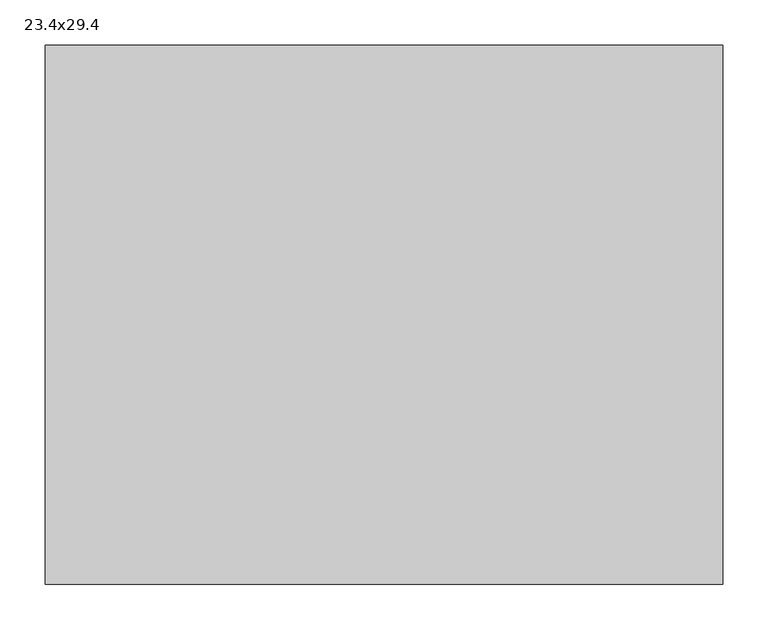
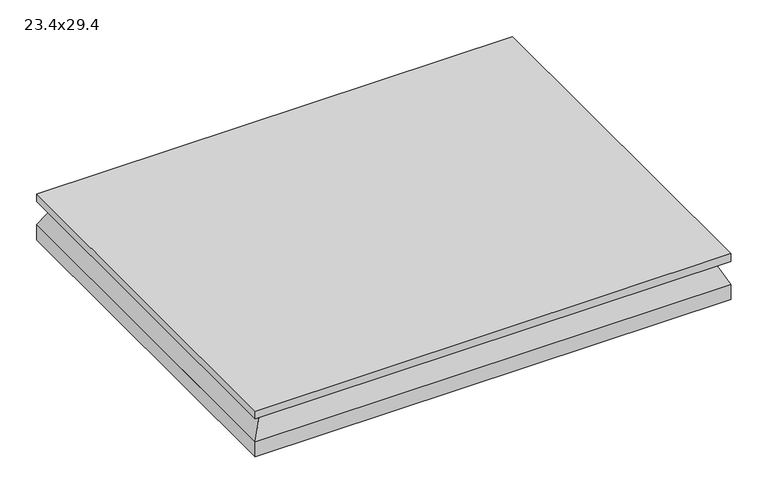
"""IFC4 building model written with IfcOpenShell, lengths in millimetres: air terminal geometry, 23.4x29.4."""

from ifc_helpers import new_model, si_unit, frame, origin, origin_with_axes, place, context, project, spatial, polyline, outline, extrude, faceted_brep, source, transform, mapped, element, save


def air_terminal_23_4x29_4_b37b6121(model_context):
    return source(origin(), model_context, "Body", "SolidModel", [
        faceted_brep([(-354.33, -278.13, 0.0), (354.33, -278.13, 0.0), (354.33, 278.13, 0.0), (-354.33, 278.13, 0.0), (-373.3601562, -297.1601563, -38.1), (-373.3601562, 297.1601562, -38.1), (373.3601563, 297.1601562, -38.1), (373.3601563, -297.1601563, -38.1)], [[[0, 1, 2, 3]], [[4, 5, 6, 7]], [[4, 7, 1, 0]], [[7, 6, 2, 1]], [[6, 5, 3, 2]], [[5, 4, 0, 3]]]),
        extrude(outline(polyline([(373.38, 297.18), (373.38, -297.18), (-373.38, -297.18), (-373.38, 297.18), (373.38, 297.18)])), origin_with_axes(), (0.0, 0.0, 1.0), 12.7),
        extrude(outline(polyline([(-373.3601562, 297.1601562), (373.3601563, 297.1601562), (373.3601563, -297.1601563), (-373.3601562, -297.1601563), (-373.3601562, 297.1601562)])), frame((0.0, 0.0, -63.5), z_axis=(0.0, 0.0, 1.0), x_axis=(1.0, 0.0, 0.0)), (0.0, 0.0, 1.0), 25.4),
    ])


if __name__ == "__main__":
    model = new_model("IFC4")
    model_context = context("Model", 3, world=origin())
    ifc_project = project(units=[si_unit("LENGTHUNIT", "METRE", prefix="MILLI")], contexts=[model_context])
    site = spatial("IfcSite", under=ifc_project)
    building = spatial("IfcBuilding", under=site)
    placement = place(None, origin())
    air_terminal_23_4x29_4_shape = air_terminal_23_4x29_4_b37b6121(model_context)
    element("IfcAirTerminal", 1, ObjectType="23.4x29.4", at=placement, inside=building, context=model_context, shape_type="MappedRepresentation", body=[
        mapped(air_terminal_23_4x29_4_shape, transform((0.0, 0.0, 0.0), x_axis=(1.0, 0.0, 0.0), y_axis=(0.0, 1.0, 0.0), z_axis=(0.0, 0.0, 1.0))),
    ])
    save(model, "model.ifc")
